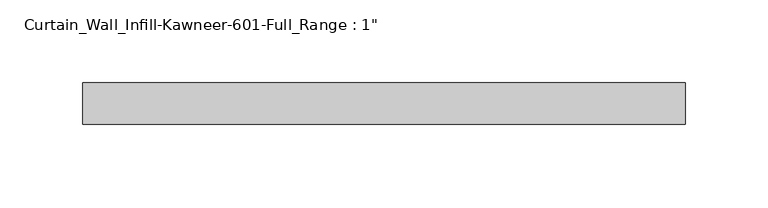
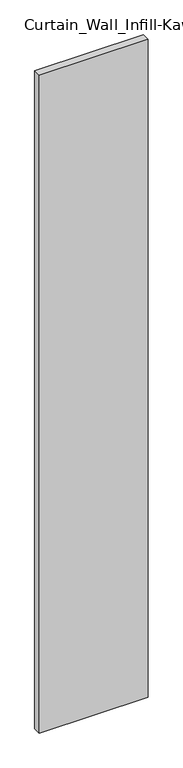
"""IFC4 building model written with IfcOpenShell, lengths in millimetres: plate geometry."""

from ifc_helpers import new_model, si_unit, origin, origin_with_axes, place, context, project, spatial, polyline, outline, extrude, source, transform, mapped, element, save


def plate_e4063a35(model_context):
    return source(origin(), model_context, "Body", "SweptSolid", [
        extrude(outline(polyline([(-182.5625, 12.7), (182.5625, 12.7), (182.5625, -12.7), (-182.5625, -12.7), (-182.5625, 12.7)])), origin_with_axes(), (0.0, 0.0, 1.0), 2330.45),
    ])


if __name__ == "__main__":
    model = new_model("IFC4")
    model_context = context("Model", 3, world=origin())
    ifc_project = project(units=[si_unit("LENGTHUNIT", "METRE", prefix="MILLI")], contexts=[model_context])
    site = spatial("IfcSite", under=ifc_project)
    building = spatial("IfcBuilding", under=site)
    placement = place(None, origin())
    plate_shape = plate_e4063a35(model_context)
    element("IfcPlate", 1, ObjectType="Curtain_Wall_Infill-Kawneer-601-Full_Range : 1\"", at=placement, inside=building, context=model_context, shape_type="MappedRepresentation", body=[
        mapped(plate_shape, transform((0.0, 0.0, 0.0), x_axis=(1.0, 0.0, 0.0), y_axis=(0.0, 1.0, 0.0), z_axis=(0.0, 0.0, 1.0))),
    ])
    save(model, "model.ifc")
